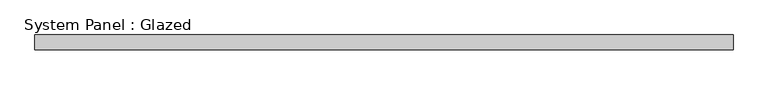
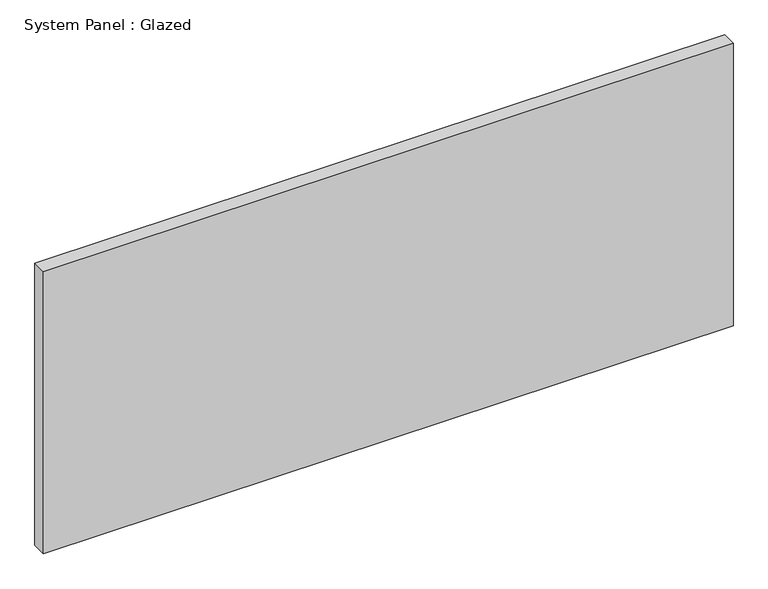
"""IFC4 building model written with IfcOpenShell, lengths in millimetres: plate geometry, System Panel : Glazed."""

from ifc_helpers import new_model, si_unit, origin, origin_with_axes, place, context, project, spatial, polyline, outline, extrude, source, transform, mapped, element, save


def system_panel_glazed_5c0797dc(model_context):
    return source(origin(), model_context, "Body", "SweptSolid", [
        extrude(outline(polyline([(594.51875, -44.45), (-594.51875, -44.45), (-594.51875, -19.05), (594.51875, -19.05), (594.51875, -44.45)])), origin_with_axes(), (0.0, 0.0, 1.0), 514.35),
    ])


if __name__ == "__main__":
    model = new_model("IFC4")
    model_context = context("Model", 3, world=origin())
    ifc_project = project(units=[si_unit("LENGTHUNIT", "METRE", prefix="MILLI")], contexts=[model_context])
    site = spatial("IfcSite", under=ifc_project)
    building = spatial("IfcBuilding", under=site)
    placement = place(None, origin())
    system_panel_glazed_shape = system_panel_glazed_5c0797dc(model_context)
    element("IfcPlate", 1, ObjectType="System Panel : Glazed", at=placement, inside=building, context=model_context, shape_type="MappedRepresentation", body=[
        mapped(system_panel_glazed_shape, transform((0.0, 0.0, 0.0), x_axis=(1.0, 0.0, 0.0), y_axis=(0.0, 1.0, 0.0), z_axis=(0.0, 0.0, 1.0))),
    ])
    save(model, "model.ifc")
